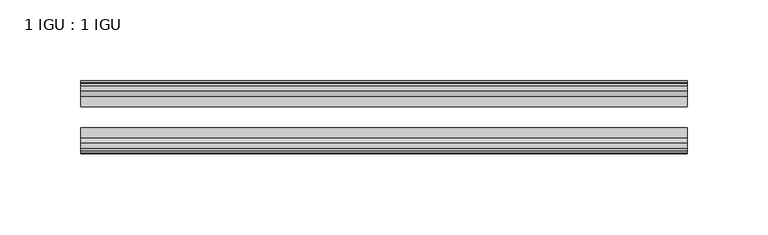
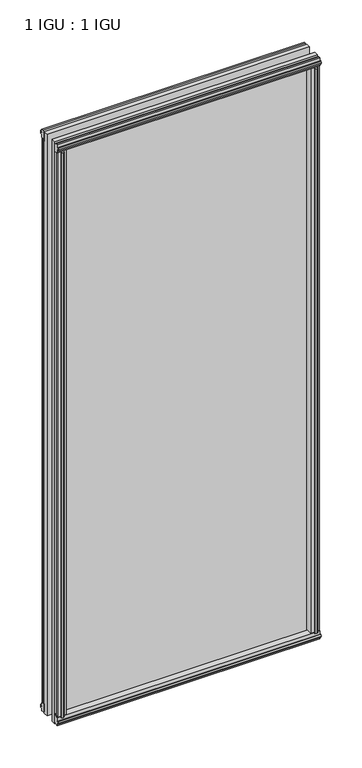
"""IFC4 building model written with IfcOpenShell, lengths in millimetres: plate geometry, 1 IGU : 1 IGU."""

from ifc_helpers import new_model, si_unit, frame, origin, origin_with_axes, place, context, project, spatial, polyline, outline, extrude, source, transform, mapped, element, save


def plate_1_igu_1_igu_16daffec(model_context):
    return source(origin(), model_context, "Body", "SweptSolid", [
        extrude(outline(polyline([(172.9852387, -19.5460937), (175.0905158, -13.1960937), (180.2977102, -13.1960937), (180.6787102, -10.8158968), (179.2631812, -11.27583), (179.2631812, -10.4746158), (181.4407102, -9.7670937), (183.6182393, -10.4746158), (183.6182393, -11.27583), (182.2027102, -10.8158968), (182.5837102, -13.1960937), (187.0287102, -13.1960937), (187.0287102, -16.1419073), (184.8156327, -19.5460937), (172.9852387, -19.5460937)])), origin_with_axes(), (0.0, 0.0, 1.0), 850.9),
        extrude(outline(polyline([(-172.9852387, -19.5460937), (-184.8156327, -19.5460937), (-187.0287102, -16.1419073), (-187.0287102, -13.1960937), (-182.5837102, -13.1960937), (-182.2027102, -10.8158968), (-183.6182393, -11.27583), (-183.6182393, -10.4746158), (-181.4407102, -9.7670937), (-179.2631812, -10.4746158), (-179.2631812, -11.27583), (-180.6787102, -10.8158968), (-180.2977102, -13.1960937), (-175.0905158, -13.1960937), (-172.9852387, -19.5460937)])), origin_with_axes(), (0.0, 0.0, 1.0), 850.9),
        extrude(outline(polyline([(-16.1419073, -12.4576852), (-19.5460937, -10.2446077), (-19.5460937, 1.5857863), (-13.1960937, -0.5194908), (-13.1960937, -5.7266852), (-10.8158968, -6.1076852), (-11.27583, -4.6921562), (-10.4746158, -4.6921562), (-9.7670937, -6.8696852), (-10.4746158, -9.0472143), (-11.27583, -9.0472143), (-10.8158968, -7.6316852), (-13.1960937, -8.0126852), (-13.1960937, -12.4576852), (-16.1419073, -12.4576852)])), frame((-187.271025, 0.0, 0.0), z_axis=(1.0, 0.0, 0.0), x_axis=(0.0, 1.0, 0.0)), (0.0, 0.0, 1.0), 374.54205),
        extrude(outline(polyline([(-48.3502802, -11.938), (-51.2960937, -11.938), (-51.2960937, -7.493), (-53.6762907, -7.112), (-53.2163575, -8.5275291), (-54.0175717, -8.5275291), (-54.7250937, -6.35), (-54.0175717, -4.172471), (-53.2163575, -4.172471), (-53.6762907, -5.588), (-51.2960937, -5.207), (-51.2960937, 0.0001944), (-44.9460937, 2.1054715), (-44.9460937, -9.7249225), (-48.3502802, -11.938)])), frame((-187.271025, 0.0, 0.0), z_axis=(1.0, 0.0, 0.0), x_axis=(0.0, 1.0, 0.0)), (0.0, 0.0, 1.0), 374.54205),
        extrude(outline(polyline([(-16.1028367, 863.3576852), (-13.1960937, 863.3576852), (-13.1960937, 858.9126852), (-10.8158968, 858.5316852), (-11.27583, 859.9472143), (-10.4746158, 859.9472143), (-9.7670937, 857.7696852), (-10.4746158, 855.5921562), (-11.27583, 855.5921562), (-10.8158968, 857.0076852), (-13.1960937, 856.6266852), (-13.1960937, 851.3940908), (-19.5460937, 849.2888137), (-19.5460937, 861.1192077), (-16.1028367, 863.3576852)])), frame((-187.271025, 0.0, 0.0), z_axis=(1.0, 0.0, 0.0), x_axis=(0.0, 1.0, 0.0)), (0.0, 0.0, 1.0), 374.54205),
        extrude(outline(polyline([(-48.3893508, 862.8126), (-44.9460937, 860.5741225), (-44.9460937, 848.7437285), (-51.2960937, 850.8490056), (-51.2960937, 856.0816), (-53.6762907, 856.4626), (-53.2163575, 855.047071), (-54.0175717, 855.047071), (-54.7250938, 857.2246), (-54.0175717, 859.4021291), (-53.2163575, 859.4021291), (-53.6762907, 857.9866), (-51.2960937, 858.3676), (-51.2960937, 862.8126), (-48.3893508, 862.8126)])), frame((-187.271025, 0.0, 0.0), z_axis=(1.0, 0.0, 0.0), x_axis=(0.0, 1.0, 0.0)), (0.0, 0.0, 1.0), 374.54205),
        extrude(outline(polyline([(-172.4655535, -44.9460938), (-174.5708306, -51.2960938), (-179.778025, -51.2960938), (-180.159025, -53.6762907), (-178.743496, -53.2163575), (-178.743496, -54.0175717), (-180.921025, -54.7250938), (-183.0985541, -54.0175717), (-183.0985541, -53.2163575), (-181.683025, -53.6762907), (-182.064025, -51.2960938), (-186.509025, -51.2960938), (-186.509025, -48.3502802), (-184.2959475, -44.9460938), (-172.4655535, -44.9460938)])), origin_with_axes(), (0.0, 0.0, 1.0), 850.9),
        extrude(outline(polyline([(172.4655535, -44.9460938), (184.2959475, -44.9460938), (186.509025, -48.3502802), (186.509025, -51.2960938), (182.064025, -51.2960938), (181.683025, -53.6762907), (183.0985541, -53.2163575), (183.0985541, -54.0175717), (180.921025, -54.7250938), (178.743496, -54.0175717), (178.743496, -53.2163575), (180.159025, -53.6762907), (179.778025, -51.2960938), (174.5708306, -51.2960938), (172.4655535, -44.9460938)])), origin_with_axes(), (0.0, 0.0, 1.0), 850.9),
        extrude(outline(polyline([(187.271025, -19.5460937), (187.271025, -25.8337453), (-187.271025, -25.8337453), (-187.271025, -19.5460937), (187.271025, -19.5460937)])), frame((0.0, 0.0, -12.7), z_axis=(0.0, 0.0, 1.0), x_axis=(1.0, 0.0, 0.0)), (0.0, 0.0, 1.0), 876.2872998),
        extrude(outline(polyline([(-187.271025, -44.9460937), (-187.271025, -38.6468938), (187.271025, -38.6468938), (187.271025, -44.9460937), (-187.271025, -44.9460937)])), frame((0.0, 0.0, -12.7), z_axis=(0.0, 0.0, 1.0), x_axis=(1.0, 0.0, 0.0)), (0.0, 0.0, 1.0), 876.2872998),
    ])


if __name__ == "__main__":
    model = new_model("IFC4")
    model_context = context("Model", 3, world=origin())
    ifc_project = project(units=[si_unit("LENGTHUNIT", "METRE", prefix="MILLI")], contexts=[model_context])
    site = spatial("IfcSite", under=ifc_project)
    building = spatial("IfcBuilding", under=site)
    placement = place(None, origin())
    plate_1_igu_1_igu_shape = plate_1_igu_1_igu_16daffec(model_context)
    element("IfcPlate", 1, ObjectType="1 IGU : 1 IGU", at=placement, inside=building, context=model_context, shape_type="MappedRepresentation", body=[
        mapped(plate_1_igu_1_igu_shape, transform((0.0, 0.0, 0.0), x_axis=(1.0, 0.0, 0.0), y_axis=(0.0, 1.0, 0.0), z_axis=(0.0, 0.0, 1.0))),
    ])
    save(model, "model.ifc")
